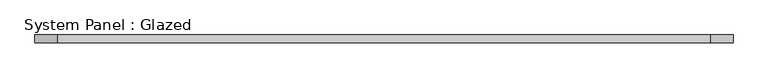
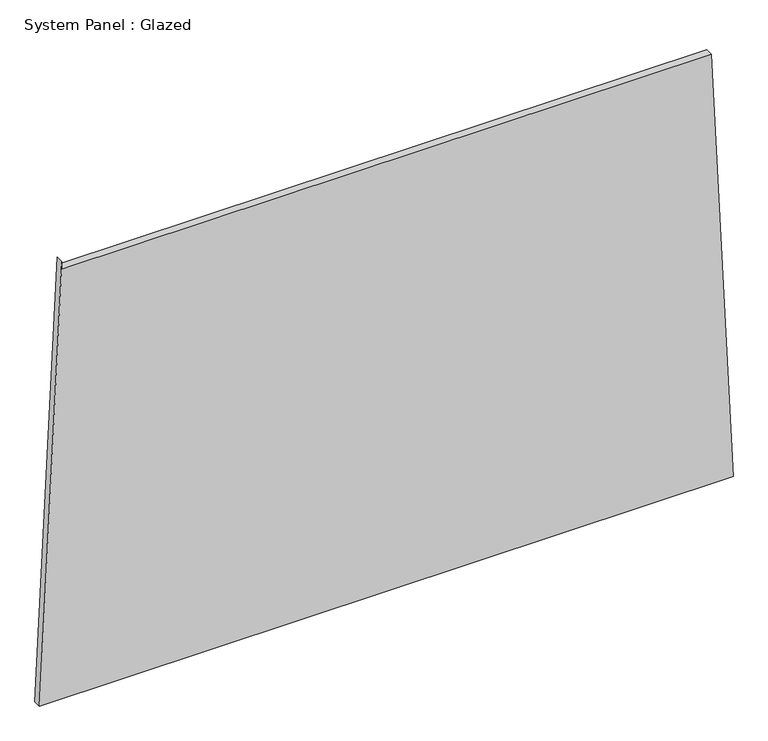
"""IFC4 building model written with IfcOpenShell, lengths in millimetres: plate geometry, System Panel : Glazed."""

from ifc_helpers import new_model, si_unit, frame, origin, place, context, project, spatial, polyline, outline, extrude, source, transform, mapped, element, save


def system_panel_glazed_4fc42527(model_context):
    return source(origin(), model_context, "Body", "SweptSolid", [
        extrude(outline(polyline([(0.0, -1104.7630617), (0.0, 1104.7630617), (1448.2485506, 1034.7159147), (1448.2483229, -1033.5026702), (1473.2483229, -1033.502673), (0.0, -1104.7630617)])), frame((0.0, -49.5, 0.0), z_axis=(0.0, 1.0, 0.0), x_axis=(0.0, 0.0, 1.0)), (0.0, 0.0, 1.0), 25.0),
    ])


if __name__ == "__main__":
    model = new_model("IFC4")
    model_context = context("Model", 3, world=origin())
    ifc_project = project(units=[si_unit("LENGTHUNIT", "METRE", prefix="MILLI")], contexts=[model_context])
    site = spatial("IfcSite", under=ifc_project)
    building = spatial("IfcBuilding", under=site)
    placement = place(None, origin())
    system_panel_glazed_shape = system_panel_glazed_4fc42527(model_context)
    element("IfcPlate", 1, ObjectType="System Panel : Glazed", at=placement, inside=building, context=model_context, shape_type="MappedRepresentation", body=[
        mapped(system_panel_glazed_shape, transform((0.0, 0.0, 0.0), x_axis=(1.0, 0.0, 0.0), y_axis=(0.0, 1.0, 0.0), z_axis=(0.0, 0.0, 1.0))),
    ])
    save(model, "model.ifc")
